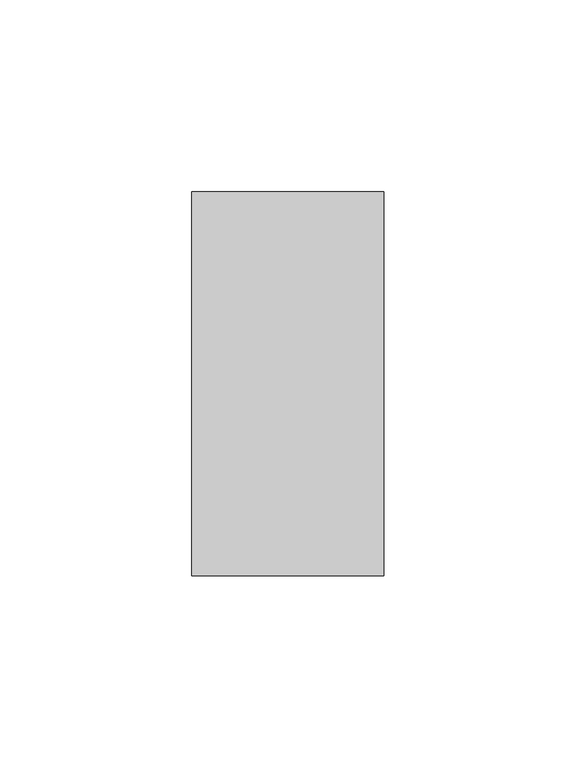
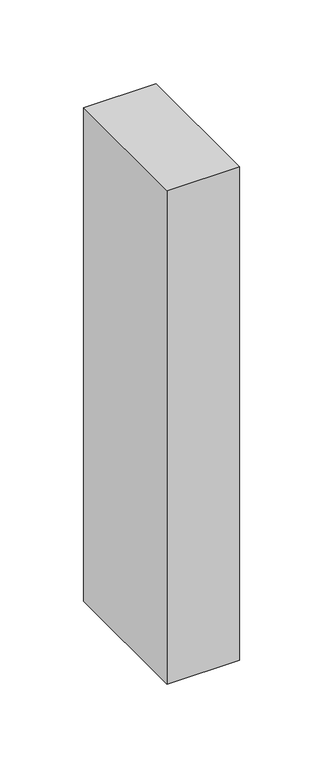
"""IFC4 building model written with IfcOpenShell, lengths in millimetres: member geometry."""

from ifc_helpers import new_model, si_unit, frame, origin, place, context, project, spatial, polyline, outline, extrude, source, transform, mapped, element, save


def member_6c84bee1(model_context):
    return source(origin(), model_context, "Body", "SweptSolid", [
        extrude(outline(polyline([(25.0, 50.0), (25.0, -50.0), (-25.0, -50.0), (-25.0, 50.0), (25.0, 50.0)])), frame((0.0, 0.0, -360.4875), z_axis=(0.0, 0.0, 1.0), x_axis=(1.0, 0.0, 0.0)), (0.0, 0.0, 1.0), 360.4875),
    ])


if __name__ == "__main__":
    model = new_model("IFC4")
    model_context = context("Model", 3, world=origin())
    ifc_project = project(units=[si_unit("LENGTHUNIT", "METRE", prefix="MILLI")], contexts=[model_context])
    site = spatial("IfcSite", under=ifc_project)
    building = spatial("IfcBuilding", under=site)
    placement = place(None, origin())
    member_shape = member_6c84bee1(model_context)
    element("IfcMember", 1, at=placement, inside=building, context=model_context, shape_type="MappedRepresentation", body=[
        mapped(member_shape, transform((0.0, 0.0, 0.0), x_axis=(1.0, 0.0, 0.0), y_axis=(0.0, 1.0, 0.0), z_axis=(0.0, 0.0, 1.0))),
    ])
    save(model, "model.ifc")
